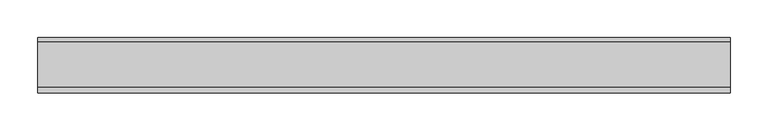
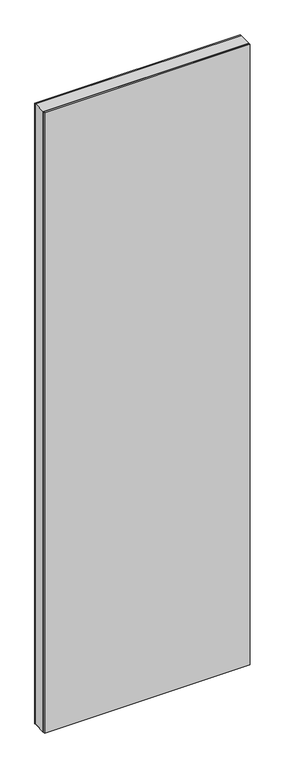
"""IFC4 building model written with IfcOpenShell, lengths in millimetres: plate geometry."""

from ifc_helpers import new_model, si_unit, frame, origin, origin_with_axes, place, context, project, spatial, polyline, outline, extrude, source, transform, mapped, element, save


def plate_6ee18f37(model_context):
    return source(origin(), model_context, "Body", "SweptSolid", [
        extrude(outline(polyline([(2936.0, -460.9186914), (0.0, -460.9186914), (0.0, 460.9186914), (2936.0, 460.9186914), (2936.0, -460.9186914)]), holes=[polyline([(2935.0, -459.9186914), (2935.0, 459.9186914), (1.0, 459.9186914), (1.0, -459.9186914), (2935.0, -459.9186914)])]), frame((0.0, -29.2, 0.0), z_axis=(0.0, 1.0, 0.0), x_axis=(0.0, 0.0, 1.0)), (0.0, 0.0, 1.0), 60.4),
        extrude(outline(polyline([(460.9186914, 31.2), (-460.9186914, 31.2), (-460.9186914, 37.2), (460.9186914, 37.2), (460.9186914, 31.2)])), origin_with_axes(), (0.0, 0.0, 1.0), 2936.0),
        extrude(outline(polyline([(-460.9186914, -37.2), (-460.9186914, -29.2), (460.9186914, -29.2), (460.9186914, -37.2), (-460.9186914, -37.2)])), origin_with_axes(), (0.0, 0.0, 1.0), 2936.0),
    ])


if __name__ == "__main__":
    model = new_model("IFC4")
    model_context = context("Model", 3, world=origin())
    ifc_project = project(units=[si_unit("LENGTHUNIT", "METRE", prefix="MILLI")], contexts=[model_context])
    site = spatial("IfcSite", under=ifc_project)
    building = spatial("IfcBuilding", under=site)
    placement = place(None, origin())
    plate_shape = plate_6ee18f37(model_context)
    element("IfcPlate", 1, at=placement, inside=building, context=model_context, shape_type="MappedRepresentation", body=[
        mapped(plate_shape, transform((0.0, 0.0, 0.0), x_axis=(1.0, 0.0, 0.0), y_axis=(0.0, 1.0, 0.0), z_axis=(0.0, 0.0, 1.0))),
    ])
    save(model, "model.ifc")
